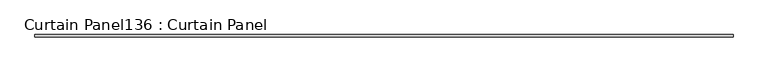
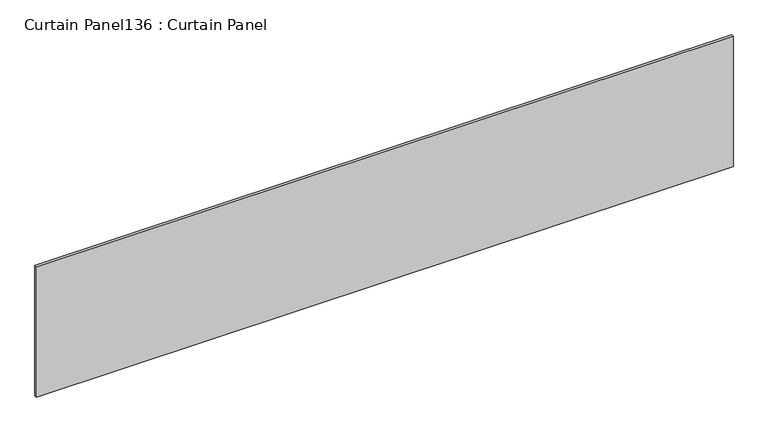
"""IFC4 building model written with IfcOpenShell, lengths in millimetres: plate geometry, Curtain Panel136 : Curtain Panel."""

from ifc_helpers import new_model, si_unit, frame, origin, place, context, project, spatial, polyline, outline, extrude, source, transform, mapped, element, save


def curtain_panel136_curtain_panel_f89bc0fd(model_context):
    return source(origin(), model_context, "Body", "SweptSolid", [
        extrude(outline(polyline([(318051.4925793, 2040.743529), (310431.4925793, 2040.743529), (310431.4925793, 2066.143529), (318051.4925793, 2066.143529), (318051.4925793, 2040.743529)])), frame((0.0, 0.0, 7171.3469004), z_axis=(0.0, 0.0, 1.0), x_axis=(1.0, 0.0, 0.0)), (0.0, 0.0, 1.0), 1509.3694812),
    ])


if __name__ == "__main__":
    model = new_model("IFC4")
    model_context = context("Model", 3, world=origin())
    ifc_project = project(units=[si_unit("LENGTHUNIT", "METRE", prefix="MILLI")], contexts=[model_context])
    site = spatial("IfcSite", under=ifc_project)
    building = spatial("IfcBuilding", under=site)
    placement = place(None, origin())
    curtain_panel136_curtain_panel_shape = curtain_panel136_curtain_panel_f89bc0fd(model_context)
    element("IfcPlate", 1, ObjectType="Curtain Panel136 : Curtain Panel", at=placement, inside=building, context=model_context, shape_type="MappedRepresentation", body=[
        mapped(curtain_panel136_curtain_panel_shape, transform((0.0, 0.0, 0.0), x_axis=(1.0, 0.0, 0.0), y_axis=(0.0, 1.0, 0.0), z_axis=(0.0, 0.0, 1.0))),
    ])
    save(model, "model.ifc")
